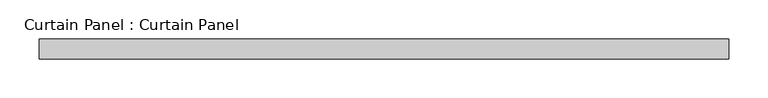
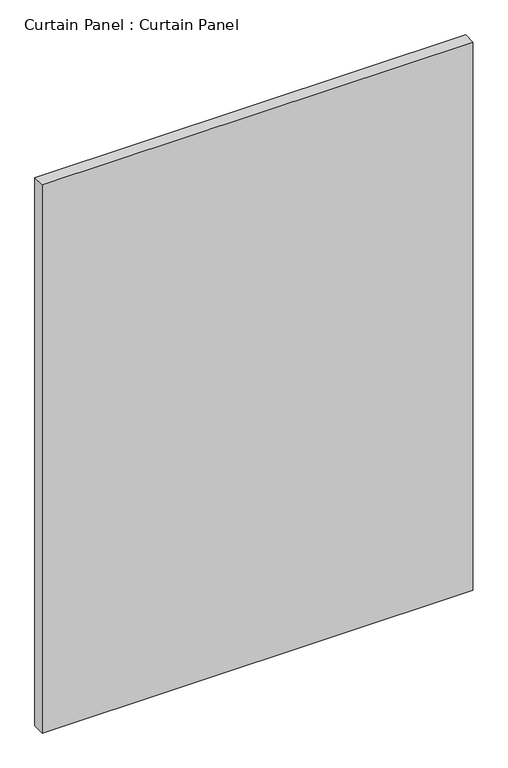
"""IFC4 building model written with IfcOpenShell, lengths in millimetres: plate geometry, Curtain Panel : Curtain Panel."""

from ifc_helpers import new_model, si_unit, frame, origin, place, context, project, spatial, polyline, outline, extrude, source, transform, mapped, element, save


def curtain_panel_curtain_panel_443b3c1d(model_context):
    return source(origin(), model_context, "Body", "SweptSolid", [
        extrude(outline(polyline([(-177652.3628689, 4757.6387985), (-178531.8378689, 4757.6387985), (-178531.8378689, 4783.0387985), (-177652.3628689, 4783.0387985), (-177652.3628689, 4757.6387985)])), frame((0.0, 0.0, 1236.6625), z_axis=(0.0, 0.0, 1.0), x_axis=(1.0, 0.0, 0.0)), (0.0, 0.0, 1.0), 1184.275),
    ])


if __name__ == "__main__":
    model = new_model("IFC4")
    model_context = context("Model", 3, world=origin())
    ifc_project = project(units=[si_unit("LENGTHUNIT", "METRE", prefix="MILLI")], contexts=[model_context])
    site = spatial("IfcSite", under=ifc_project)
    building = spatial("IfcBuilding", under=site)
    placement = place(None, origin())
    curtain_panel_curtain_panel_shape = curtain_panel_curtain_panel_443b3c1d(model_context)
    element("IfcPlate", 1, ObjectType="Curtain Panel : Curtain Panel", at=placement, inside=building, context=model_context, shape_type="MappedRepresentation", body=[
        mapped(curtain_panel_curtain_panel_shape, transform((0.0, 0.0, 0.0), x_axis=(1.0, 0.0, 0.0), y_axis=(0.0, 1.0, 0.0), z_axis=(0.0, 0.0, 1.0))),
    ])
    save(model, "model.ifc")
